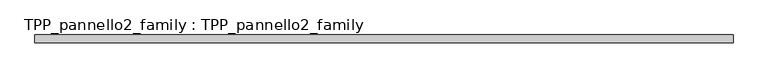
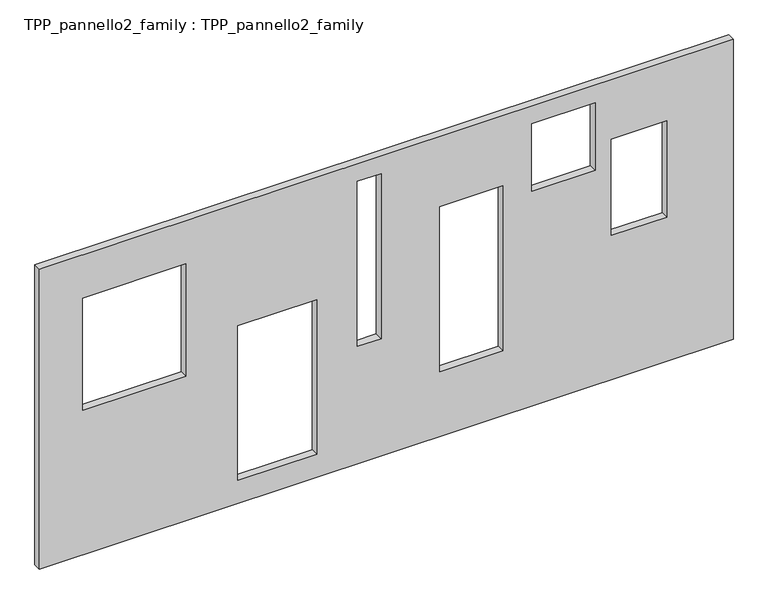
"""IFC4 building model written with IfcOpenShell, lengths in millimetres: proxy geometry, TPP_pannello2_family : TPP_pannello2_family."""

from ifc_helpers import new_model, si_unit, frame, origin, place, context, project, spatial, polyline, outline, extrude, source, transform, mapped, element, save


def tpp_pannello2_family_tpp_pannello2_family_7078a5ad(model_context):
    return source(origin(), model_context, "Body", "SweptSolid", [
        extrude(outline(polyline([(0.0, 0.0), (0.0, 8750.0), (4000.0, 8750.0), (4000.0, 0.0), (0.0, 0.0)]), holes=[polyline([(2368.8518432, 2500.0), (2368.8518432, 3500.0), (306.1410311, 3500.0), (306.1410311, 2500.0), (2368.8518432, 2500.0)]), polyline([(1923.1701194, 547.7659851), (3423.1701194, 547.7659851), (3423.1701194, 1847.7659851), (1923.1701194, 1847.7659851), (1923.1701194, 547.7659851)]), polyline([(1566.4346619, 4008.5539638), (2866.4346619, 4008.5539638), (3766.4346619, 4008.5539638), (3766.4346619, 4308.5539638), (1566.4346619, 4308.5539638), (1566.4346619, 4008.5539638)]), polyline([(866.4346619, 5046.7903574), (2866.4346619, 5046.7903574), (3066.4346619, 5046.7903574), (3066.4346619, 5846.7903574), (866.4346619, 5846.7903574), (866.4346619, 5046.7903574)]), polyline([(2866.4346619, 6208.5539638), (3766.4346619, 6208.5539638), (3766.4346619, 7008.5539638), (2866.4346619, 7008.5539638), (2866.4346619, 6208.5539638)]), polyline([(1923.1701194, 7214.2772889), (3207.108023, 7214.2772889), (3207.108023, 7914.2772889), (1923.1701194, 7914.2772889), (1923.1701194, 7214.2772889)])]), frame((0.0, 100.0, 0.0), z_axis=(0.0, 1.0, 0.0), x_axis=(0.0, 0.0, 1.0)), (0.0, 0.0, 1.0), 100.0),
    ])


if __name__ == "__main__":
    model = new_model("IFC4")
    model_context = context("Model", 3, world=origin())
    ifc_project = project(units=[si_unit("LENGTHUNIT", "METRE", prefix="MILLI")], contexts=[model_context])
    site = spatial("IfcSite", under=ifc_project)
    building = spatial("IfcBuilding", under=site)
    placement = place(None, origin())
    tpp_pannello2_family_tpp_pannello2_family_shape = tpp_pannello2_family_tpp_pannello2_family_7078a5ad(model_context)
    element("IfcBuildingElementProxy", 1, Name="TPP_pannello2_family : TPP_pannello2_family", ObjectType="TPP_pannello2_family : TPP_pannello2_family", at=placement, inside=building, context=model_context, shape_type="MappedRepresentation", body=[
        mapped(tpp_pannello2_family_tpp_pannello2_family_shape, transform((0.0, 0.0, 0.0), x_axis=(1.0, 0.0, 0.0), y_axis=(0.0, 1.0, 0.0), z_axis=(0.0, 0.0, 1.0))),
    ])
    save(model, "model.ifc")
